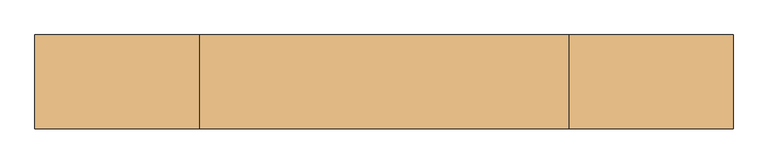
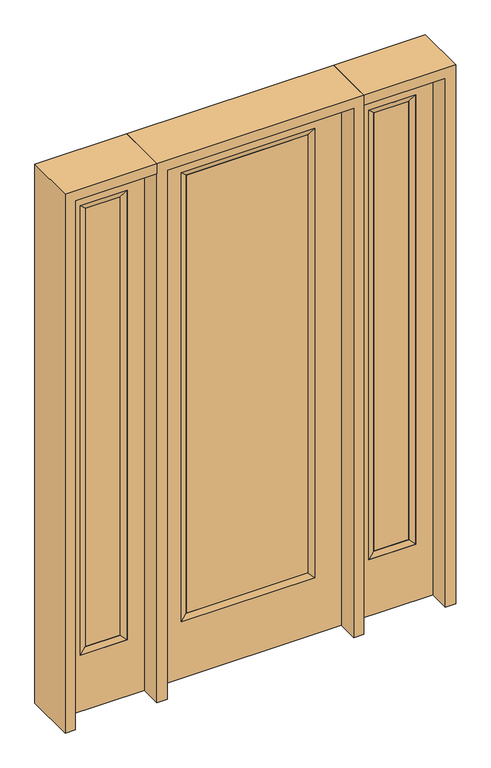
"""IFC4 building model written with IfcOpenShell, lengths in millimetres: door geometry."""

from ifc_helpers import new_model, si_unit, frame, origin, place, context, project, spatial, polyline, outline, extrude, faceted_brep, source, transform, mapped, element, save


def door_f4811389(model_context):
    return source(origin(), model_context, "Body", "SolidModel", [
        extrude(outline(polyline([(265.5824, -12.7039749), (-265.5824, -12.7039749), (-265.5824, 14.2875), (265.5824, 14.2875), (265.5824, -12.7039749)])), frame((0.0, 0.0, 285.75), z_axis=(0.0, 0.0, 1.0), x_axis=(1.0, 0.0, 0.0)), (0.0, 0.0, 1.0), 2019.3),
        faceted_brep([(265.5824, 14.2875, 2305.05), (290.9824, 22.225, 2330.45), (290.9824, 22.225, 260.35), (265.5824, 14.2875, 285.75), (290.9824, -22.225, 2330.45), (290.9824, -22.225, 260.35), (-290.9824, 22.225, 260.35), (-265.5824, 14.2875, 285.75), (265.5824, -12.7039749, 2305.05), (265.5824, -12.7039749, 285.75), (-265.5824, -12.7039749, 285.75), (-290.9824, -22.225, 260.35), (-290.9824, 22.225, 2330.45), (-265.5824, 14.2875, 2305.05), (-265.5824, -12.7039749, 2305.05), (-290.9824, -22.225, 2330.45)], [[[0, 1, 2, 3]], [[1, 4, 5, 2]], [[3, 2, 6, 7]], [[8, 0, 3, 9]], [[9, 3, 7, 10]], [[4, 8, 9, 5]], [[5, 9, 10, 11]], [[2, 5, 11, 6]], [[7, 6, 12, 13]], [[10, 7, 13, 14]], [[11, 10, 14, 15]], [[6, 11, 15, 12]], [[13, 12, 1, 0]], [[14, 13, 0, 8]], [[15, 14, 8, 4]], [[12, 15, 4, 1]]]),
        extrude(outline(polyline([(0.0, -406.4), (0.0, 406.4), (2438.4, 406.4), (2438.4, -406.4), (0.0, -406.4)]), holes=[polyline([(260.35, -290.9824), (2330.45, -290.9824), (2330.45, 290.9824), (260.35, 290.9824), (260.35, -290.9824)])]), frame((0.0, -22.225, 0.0), z_axis=(0.0, 1.0, 0.0), x_axis=(0.0, 0.0, 1.0)), (0.0, 0.0, 1.0), 44.45),
        faceted_brep([(527.05, 20.6375, 2330.45), (527.05, 20.6375, 260.35), (527.05, -20.6375, 260.35), (527.05, -20.6375, 2330.45), (552.45, -12.7, 285.75), (552.45, -12.7, 2305.05), (730.25, 20.6375, 260.35), (730.25, -20.6375, 260.35), (552.45, 12.7, 2305.05), (552.45, 12.7, 285.75), (704.85, 12.7, 285.75), (704.85, -12.7, 285.75), (730.25, 20.6375, 2330.45), (730.25, -20.6375, 2330.45), (704.85, 12.7, 2305.05), (704.85, -12.7, 2305.05)], [[[0, 1, 2, 3]], [[3, 2, 4, 5]], [[1, 6, 7, 2]], [[8, 9, 1, 0]], [[9, 10, 6, 1]], [[5, 4, 9, 8]], [[4, 11, 10, 9]], [[2, 7, 11, 4]], [[6, 12, 13, 7]], [[10, 14, 12, 6]], [[11, 15, 14, 10]], [[7, 13, 15, 11]], [[12, 0, 3, 13]], [[14, 8, 0, 12]], [[15, 5, 8, 14]], [[13, 3, 5, 15]]]),
        extrude(outline(polyline([(0.0, 806.45), (2438.4, 806.45), (2438.4, 450.85), (0.0, 450.85), (0.0, 806.45)]), holes=[polyline([(2330.45, 527.05), (2330.45, 730.25), (260.35, 730.25), (260.35, 527.05), (2330.45, 527.05)])]), frame((0.0, -20.6375, 0.0), z_axis=(0.0, 1.0, 0.0), x_axis=(0.0, 0.0, 1.0)), (0.0, 0.0, 1.0), 41.275),
        extrude(outline(polyline([(552.45, -12.7), (552.45, 12.7), (704.85, 12.7), (704.85, -12.7), (552.45, -12.7)])), frame((0.0, 0.0, 284.95625), z_axis=(0.0, 0.0, 1.0), x_axis=(1.0, 0.0, 0.0)), (0.0, 0.0, 1.0), 2020.09375),
        faceted_brep([(-527.05, 20.6375, 2330.45), (-527.05, -20.6375, 2330.45), (-527.05, -20.6375, 260.35), (-527.05, 20.6375, 260.35), (-552.45, -12.7, 2305.05), (-552.45, -12.7, 285.75), (-730.25, -20.6375, 260.35), (-730.25, 20.6375, 260.35), (-552.45, 12.7, 2305.05), (-552.45, 12.7, 285.75), (-704.85, 12.7, 285.75), (-704.85, -12.7, 285.75), (-730.25, -20.6375, 2330.45), (-730.25, 20.6375, 2330.45), (-704.85, 12.7, 2305.05), (-704.85, -12.7, 2305.05)], [[[0, 1, 2, 3]], [[1, 4, 5, 2]], [[3, 2, 6, 7]], [[8, 0, 3, 9]], [[9, 3, 7, 10]], [[4, 8, 9, 5]], [[5, 9, 10, 11]], [[2, 5, 11, 6]], [[7, 6, 12, 13]], [[10, 7, 13, 14]], [[11, 10, 14, 15]], [[6, 11, 15, 12]], [[13, 12, 1, 0]], [[14, 13, 0, 8]], [[15, 14, 8, 4]], [[12, 15, 4, 1]]]),
        extrude(outline(polyline([(0.0, -806.45), (0.0, -450.85), (2438.4, -450.85), (2438.4, -806.45), (0.0, -806.45)]), holes=[polyline([(2330.45, -527.05), (260.35, -527.05), (260.35, -730.25), (2330.45, -730.25), (2330.45, -527.05)])]), frame((0.0, -20.6375, 0.0), z_axis=(0.0, 1.0, 0.0), x_axis=(0.0, 0.0, 1.0)), (0.0, 0.0, 1.0), 41.275),
        extrude(outline(polyline([(-552.45, -12.7), (-704.85, -12.7), (-704.85, 12.7), (-552.45, 12.7), (-552.45, -12.7)])), frame((0.0, 0.0, 284.95625), z_axis=(0.0, 0.0, 1.0), x_axis=(1.0, 0.0, 0.0)), (0.0, 0.0, 1.0), 2020.09375),
        extrude(outline(polyline([(2438.4, -450.85), (2482.85, -450.85), (2482.85, -850.9), (0.0, -850.9), (0.0, -806.45), (2438.4, -806.45), (2438.4, -450.85)])), frame((0.0, -114.3, 0.0), z_axis=(0.0, 1.0, 0.0), x_axis=(0.0, 0.0, 1.0)), (0.0, 0.0, 1.0), 228.6),
        extrude(outline(polyline([(2482.85, -450.85), (0.0, -450.85), (0.0, -406.4), (2438.4, -406.4), (2438.4, 406.4), (0.0, 406.4), (0.0, 450.85), (2482.85, 450.85), (2482.85, -450.85)])), frame((0.0, -114.3, 0.0), z_axis=(0.0, 1.0, 0.0), x_axis=(0.0, 0.0, 1.0)), (0.0, 0.0, 1.0), 228.6),
        extrude(outline(polyline([(0.0, 806.45), (0.0, 850.9), (2482.85, 850.9), (2482.85, 450.85), (2438.4, 450.85), (2438.4, 806.45), (0.0, 806.45)])), frame((0.0, -114.3, 0.0), z_axis=(0.0, 1.0, 0.0), x_axis=(0.0, 0.0, 1.0)), (0.0, 0.0, 1.0), 228.6),
    ])


if __name__ == "__main__":
    model = new_model("IFC4")
    model_context = context("Model", 3, world=origin())
    ifc_project = project(units=[si_unit("LENGTHUNIT", "METRE", prefix="MILLI")], contexts=[model_context])
    site = spatial("IfcSite", under=ifc_project)
    building = spatial("IfcBuilding", under=site)
    placement = place(None, origin())
    door_shape = door_f4811389(model_context)
    element("IfcDoor", 1, at=placement, inside=building, context=model_context, shape_type="MappedRepresentation", body=[
        mapped(door_shape, transform((0.0, 0.0, 0.0), x_axis=(1.0, 0.0, 0.0), y_axis=(0.0, 1.0, 0.0), z_axis=(0.0, 0.0, 1.0))),
    ])
    save(model, "model.ifc")
